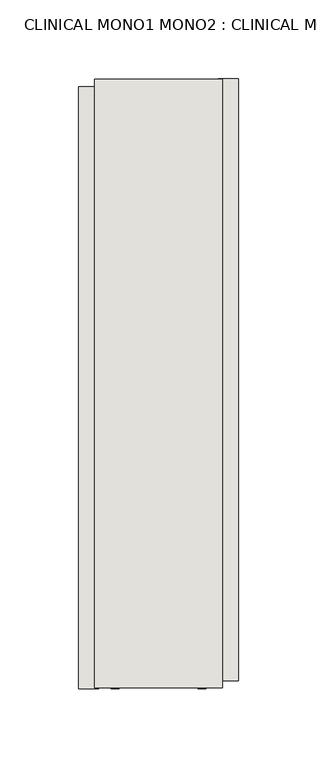
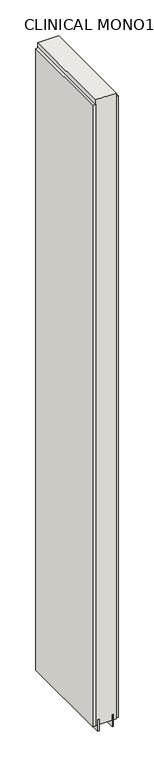
"""IFC4 building model written with IfcOpenShell, lengths in millimetres: wall geometry, CLINICAL MONO1 MONO2 : CLINICAL MONO1 MONO2."""

from ifc_helpers import new_model, si_unit, frame, origin, place, context, project, spatial, polyline, outline, extrude, source, transform, mapped, element, save


def clinical_mono1_mono2_clinical_mono1_mono2_51ab186c(model_context):
    return source(origin(), model_context, "Body", "SweptSolid", [
        extrude(outline(polyline([(66349.282211, -46797.3432352), (66349.282211, -46799.8832352), (66346.742211, -46799.8832352), (66346.742211, -46797.3432352), (66349.282211, -46797.3432352)])), frame((0.0, 0.0, 4419.6), z_axis=(0.0, 0.0, 1.0), x_axis=(1.0, 0.0, 0.0)), (0.0, 0.0, 1.0), 2.54),
        extrude(outline(polyline([(66297.212211, -47184.0955859), (66297.212211, -46801.8079329), (66309.912211, -46801.8079329), (66309.912211, -47184.0955859), (66297.212211, -47184.0955859)])), frame((0.0, 0.0, 4445.0), z_axis=(0.0, 0.0, 1.0), x_axis=(1.0, 0.0, 0.0)), (0.0, 0.0, 1.0), 2545.0498756),
        extrude(outline(polyline([(66398.812211, -46796.8779961), (66398.812211, -47179.1656491), (66386.112211, -47179.1656491), (66386.112211, -46796.8779961), (66398.812211, -46796.8779961)])), frame((0.0, 0.0, 4445.0), z_axis=(0.0, 0.0, 1.0), x_axis=(1.0, 0.0, 0.0)), (0.0, 0.0, 1.0), 2545.0498756),
        extrude(outline(polyline([(66322.9284664, -46797.3419906), (66322.9284664, -47183.6253938), (66317.849711, -47183.6253938), (66317.849711, -46797.3419906), (66322.9284664, -46797.3419906)])), frame((0.0, 0.0, 4418.6602), z_axis=(0.0, 0.0, 1.0), x_axis=(1.0, 0.0, 0.0)), (0.0, 0.0, 1.0), 47.625),
        extrude(outline(polyline([(66322.9284664, -46797.3419906), (66322.9284664, -47183.6253938), (66317.849711, -47183.6253938), (66317.849711, -46797.3419906), (66322.9284664, -46797.3419906)])), frame((0.0, 0.0, 4418.6602), z_axis=(0.0, 0.0, 1.0), x_axis=(1.0, 0.0, 0.0)), (0.0, 0.0, 1.0), 47.625),
        extrude(outline(polyline([(66373.0959556, -47183.6253938), (66373.0959556, -46797.3419906), (66378.174711, -46797.3419906), (66378.174711, -47183.6253938), (66373.0959556, -47183.6253938)])), frame((0.0, 0.0, 4418.6602), z_axis=(0.0, 0.0, 1.0), x_axis=(1.0, 0.0, 0.0)), (0.0, 0.0, 1.0), 47.625),
        extrude(outline(polyline([(66373.0959556, -47183.6253938), (66373.0959556, -46797.3419906), (66378.174711, -46797.3419906), (66378.174711, -47183.6253938), (66373.0959556, -47183.6253938)])), frame((0.0, 0.0, 4418.6602), z_axis=(0.0, 0.0, 1.0), x_axis=(1.0, 0.0, 0.0)), (0.0, 0.0, 1.0), 47.625),
        extrude(outline(polyline([(66307.3573266, -46797.3419906), (66388.6670954, -46797.3419906), (66388.6670954, -47183.6253938), (66307.3573266, -47183.6253938), (66307.3573266, -46797.3419906)])), frame((0.0, 0.0, 4445.0), z_axis=(0.0, 0.0, 1.0), x_axis=(1.0, 0.0, 0.0)), (0.0, 0.0, 1.0), 2562.4536762),
    ])


if __name__ == "__main__":
    model = new_model("IFC4")
    model_context = context("Model", 3, world=origin())
    ifc_project = project(units=[si_unit("LENGTHUNIT", "METRE", prefix="MILLI")], contexts=[model_context])
    site = spatial("IfcSite", under=ifc_project)
    building = spatial("IfcBuilding", under=site)
    placement = place(None, origin())
    clinical_mono1_mono2_clinical_mono1_mono2_shape = clinical_mono1_mono2_clinical_mono1_mono2_51ab186c(model_context)
    element("IfcWall", 1, ObjectType="CLINICAL MONO1 MONO2 : CLINICAL MONO1 MONO2", at=placement, inside=building, context=model_context, shape_type="MappedRepresentation", body=[
        mapped(clinical_mono1_mono2_clinical_mono1_mono2_shape, transform((0.0, 0.0, 0.0), x_axis=(1.0, 0.0, 0.0), y_axis=(0.0, 1.0, 0.0), z_axis=(0.0, 0.0, 1.0))),
    ])
    save(model, "model.ifc")
